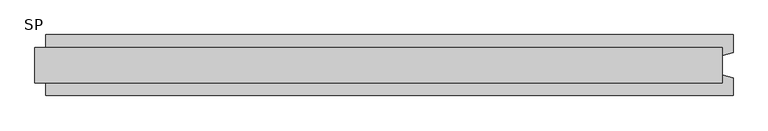
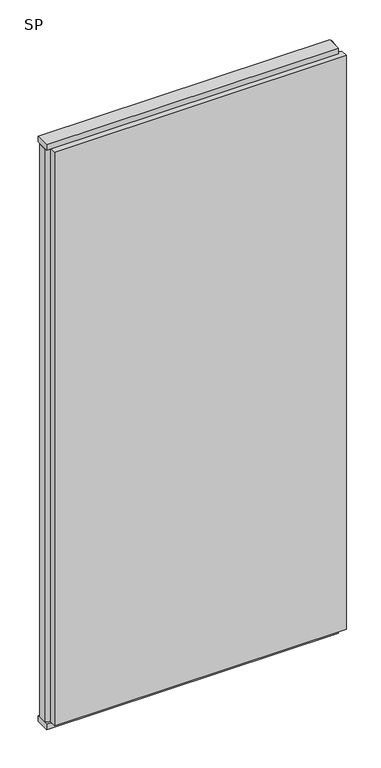
"""IFC4 building model written with IfcOpenShell, lengths in millimetres: plate geometry, SP."""

from ifc_helpers import new_model, si_unit, frame, origin, origin_with_axes, place, context, project, spatial, polyline, outline, extrude, source, transform, mapped, element, save


def sp_2b308028(model_context):
    return source(origin(), model_context, "Body", "SweptSolid", [
        extrude(outline(polyline([(620.0, -32.0), (-620.0, -32.0), (-620.0, 32.0), (620.0, 32.0), (620.0, -32.0)])), origin_with_axes(), (0.0, 0.0, 1.0), 25.0),
        extrude(outline(polyline([(620.0, -32.0), (-620.0, -32.0), (-620.0, 32.0), (620.0, 32.0), (620.0, -32.0)])), frame((0.0, 0.0, 2602.0), z_axis=(0.0, 0.0, 1.0), x_axis=(1.0, 0.0, 0.0)), (0.0, 0.0, 1.0), 25.0),
        extrude(outline(polyline([(640.0, -55.0), (-600.0, -55.0), (-600.0, -22.9993165), (-620.0, -17.6401049), (-620.0, 17.6401049), (-600.0, 22.9993165), (-600.0, 55.0), (640.0, 55.0), (640.0, 22.9993165), (620.0, 17.6401049), (620.0, -17.6401049), (640.0, -22.9993165), (640.0, -55.0)])), frame((0.0, 0.0, 25.0), z_axis=(0.0, 0.0, 1.0), x_axis=(1.0, 0.0, 0.0)), (0.0, 0.0, 1.0), 2577.0),
    ])


if __name__ == "__main__":
    model = new_model("IFC4")
    model_context = context("Model", 3, world=origin())
    ifc_project = project(units=[si_unit("LENGTHUNIT", "METRE", prefix="MILLI")], contexts=[model_context])
    site = spatial("IfcSite", under=ifc_project)
    building = spatial("IfcBuilding", under=site)
    placement = place(None, origin())
    sp_shape = sp_2b308028(model_context)
    element("IfcPlate", 1, ObjectType="SP", at=placement, inside=building, context=model_context, shape_type="MappedRepresentation", body=[
        mapped(sp_shape, transform((0.0, 0.0, 0.0), x_axis=(1.0, 0.0, 0.0), y_axis=(0.0, 1.0, 0.0), z_axis=(0.0, 0.0, 1.0))),
    ])
    save(model, "model.ifc")
